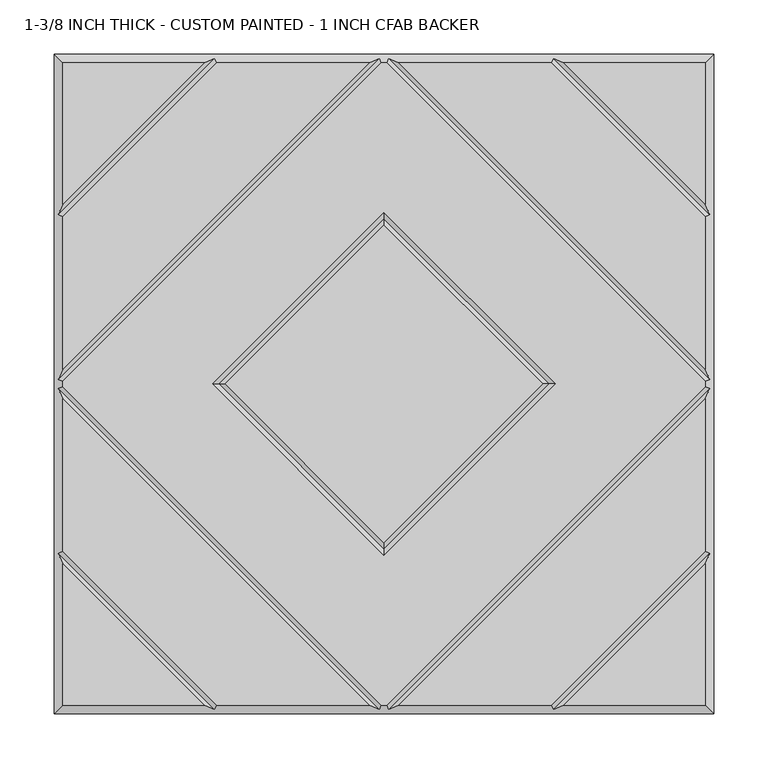
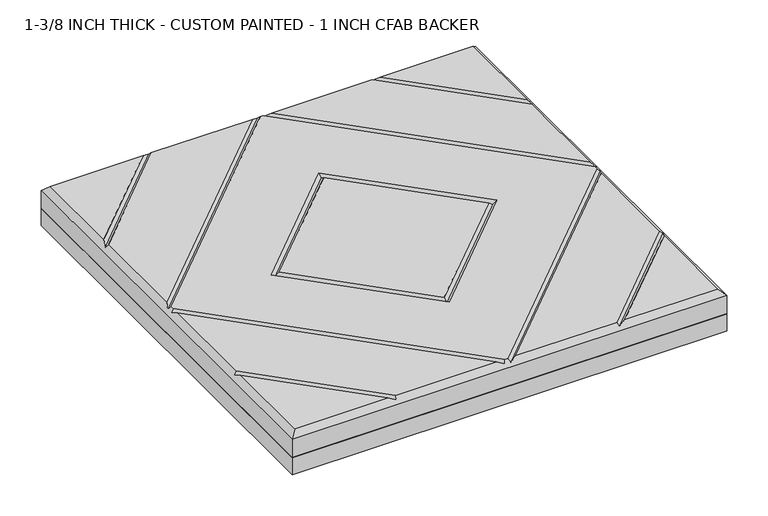
"""IFC4 building model written with IfcOpenShell, lengths in millimetres: proxy geometry, 1-3/8 INCH THICK - CUSTOM PAINTED - 1 INCH CFAB BACKER."""

from ifc_helpers import new_model, si_unit, frame, origin, place, context, project, spatial, polyline, outline, extrude, faceted_brep, source, transform, mapped, element, save


def proxy_1_3_8_inch_thick_custom_painted_1_inch_cfab_backer_2a0536e3(model_context):
    return source(origin(), model_context, "Body", "SolidModel", [
        extrude(outline(polyline([(-304.8, 304.8), (304.8, 304.8), (304.8, -304.8), (-304.8, -304.8), (-304.8, 304.8)])), frame((0.0, 0.0, -25.4), z_axis=(0.0, 0.0, 1.0), x_axis=(1.0, 0.0, 0.0)), (0.0, 0.0, 1.0), 25.4),
        faceted_brep([(296.799, 166.0585868, 34.925), (296.799, 296.799, 34.925), (166.0585868, 296.799, 34.925), (-166.0585868, 296.799, 34.925), (-296.799, 296.799, 34.925), (-296.799, 166.0585868, 34.925), (-2.3434382, -296.799, 34.925), (2.3434382, -296.799, 34.925), (296.799, -2.3434137, 34.925), (296.799, 2.3434632, 34.925), (2.3434141, 296.799, 34.925), (-2.343464, 296.799, 34.925), (-296.799, 2.343464, 34.925), (-296.799, -2.3434137, 34.925), (-158.0575614, 2.54e-05, 34.925), (0.0, 158.0575868, 34.925), (158.0575614, 2.54e-05, 34.925), (0.0, -158.057536, 34.925), (-296.799, -296.799, 34.925), (-166.0590079, -296.799, 34.925), (-296.799, -166.0585721, 34.925), (166.0590079, -296.799, 34.925), (296.799, -296.799, 34.925), (296.799, -166.0585721, 34.925), (-154.743464, 296.799, 34.925), (-296.799, 154.743464, 34.925), (-296.799, 13.6585868, 34.925), (-13.6585868, 296.799, 34.925), (-13.6585605, -296.799, 34.925), (-296.799, -13.6585369, 34.925), (-296.799, -154.7434305, 34.925), (-154.743904, -296.799, 34.925), (296.799, -13.6585369, 34.925), (13.6585605, -296.799, 34.925), (154.743904, -296.799, 34.925), (296.799, -154.7434305, 34.925), (13.6585378, 296.799, 34.925), (296.799, 13.658585, 34.925), (296.799, 154.743464, 34.925), (154.743464, 296.799, 34.925), (0.0, 146.742464, 34.925), (-146.7424386, 2.54e-05, 34.925), (0.0, -146.7424132, 34.925), (146.7424386, 2.54e-05, 34.925), (-304.8, 304.8, 0.0), (304.8, 304.8, 0.0), (304.8, -304.8, 0.0), (-304.8, -304.8, 0.0), (-304.8, -304.8, 26.924), (-304.8, 304.8, 26.924), (304.8, -304.8, 26.924), (304.8, 304.8, 26.924), (-156.4005254, 300.7995, 30.9245), (-4.0005254, 300.7995, 30.9245), (4.0004753, 300.7995, 30.9245), (156.4005254, 300.7995, 30.9245), (-300.7995, -156.4004879, 30.9245), (-300.7995, -4.0004749, 30.9245), (-300.7995, 4.0005254, 30.9245), (-300.7995, 156.4005254, 30.9245), (156.4009693, -300.7995, 30.9245), (4.0004997, -300.7995, 30.9245), (-4.0004997, -300.7995, 30.9245), (-156.4009693, -300.7995, 30.9245), (300.7995, 156.4005254, 30.9245), (300.7995, 4.0005247, 30.9245), (300.7995, -4.0004749, 30.9245), (300.7995, -156.4004879, 30.9245), (0.0, 152.4000254, 30.9245), (-152.4, 2.54e-05, 30.9245), (0.0, -152.3999746, 30.9245), (152.4, 2.54e-05, 30.9245)], [[[0, 1, 2]], [[3, 4, 5]], [[6, 7, 8, 9, 10, 11, 12, 13], [14, 15, 16, 17]], [[18, 19, 20]], [[21, 22, 23]], [[24, 25, 26, 27]], [[28, 29, 30, 31]], [[32, 33, 34, 35]], [[36, 37, 38, 39]], [[40, 41, 42, 43]], [[44, 45, 46, 47]], [[44, 47, 48, 49]], [[47, 46, 50, 48]], [[46, 45, 51, 50]], [[45, 44, 49, 51]], [[49, 4, 3, 52, 24, 27, 53, 11, 10, 54, 36, 39, 55, 2, 1, 51]], [[4, 49, 48, 18, 20, 56, 30, 29, 57, 13, 12, 58, 26, 25, 59, 5]], [[18, 48, 50, 22, 21, 60, 34, 33, 61, 7, 6, 62, 28, 31, 63, 19]], [[51, 1, 0, 64, 38, 37, 65, 9, 8, 66, 32, 35, 67, 23, 22, 50]], [[52, 59, 25, 24]], [[59, 52, 3, 5]], [[53, 58, 12, 11]], [[58, 53, 27, 26]], [[57, 62, 6, 13]], [[62, 57, 29, 28]], [[61, 66, 8, 7]], [[66, 61, 33, 32]], [[65, 54, 10, 9]], [[54, 65, 37, 36]], [[68, 69, 41, 40]], [[69, 68, 15, 14]], [[41, 69, 70, 42]], [[69, 14, 17, 70]], [[42, 70, 71, 43]], [[70, 17, 16, 71]], [[68, 40, 43, 71]], [[15, 68, 71, 16]], [[56, 63, 31, 30]], [[63, 56, 20, 19]], [[67, 60, 21, 23]], [[60, 67, 35, 34]], [[55, 64, 0, 2]], [[64, 55, 39, 38]]]),
    ])


if __name__ == "__main__":
    model = new_model("IFC4")
    model_context = context("Model", 3, world=origin())
    ifc_project = project(units=[si_unit("LENGTHUNIT", "METRE", prefix="MILLI")], contexts=[model_context])
    site = spatial("IfcSite", under=ifc_project)
    building = spatial("IfcBuilding", under=site)
    placement = place(None, origin())
    proxy_1_3_8_inch_thick_custom_painted_1_inch_cfab_backer_shape = proxy_1_3_8_inch_thick_custom_painted_1_inch_cfab_backer_2a0536e3(model_context)
    element("IfcBuildingElementProxy", 1, Name="1-3/8 INCH THICK - CUSTOM PAINTED - 1 INCH CFAB BACKER", ObjectType="1-3/8 INCH THICK - CUSTOM PAINTED - 1 INCH CFAB BACKER", at=placement, inside=building, context=model_context, shape_type="MappedRepresentation", body=[
        mapped(proxy_1_3_8_inch_thick_custom_painted_1_inch_cfab_backer_shape, transform((0.0, 0.0, 0.0), x_axis=(1.0, 0.0, 0.0), y_axis=(0.0, 1.0, 0.0), z_axis=(0.0, 0.0, 1.0))),
    ])
    save(model, "model.ifc")
